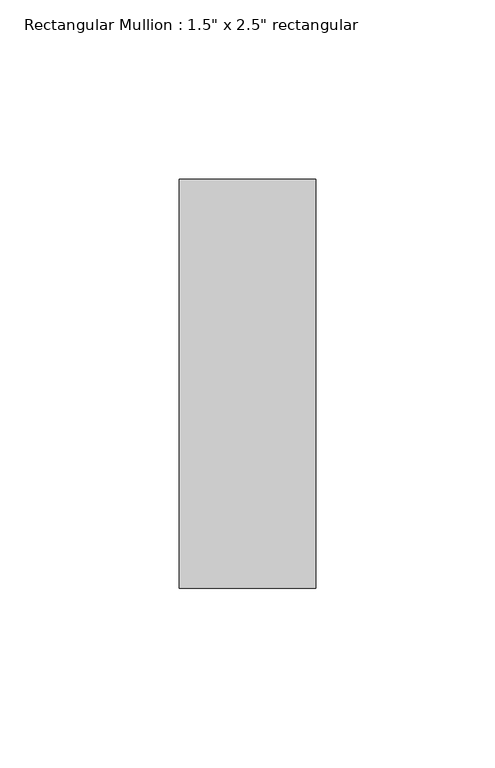
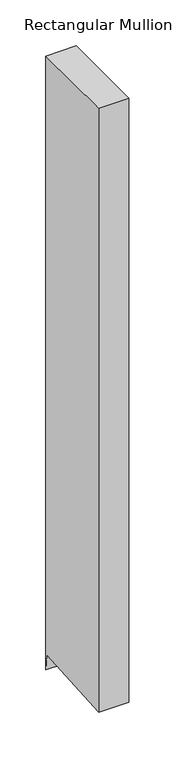
"""IFC4 building model written with IfcOpenShell, lengths in millimetres: member geometry."""

import ifcopenshell
import ifcopenshell.guid

model = None  # the IFC model being written
_history = None  # IfcOwnerHistory: only IFC2X3 demands one
_inside = {}  # id of a spatial element -> (the spatial element, [elements in it])
_under = {}  # id of a project, library or spatial element -> (it, [spatial elements below it])
_declared = {}  # id of a project -> (the project, [libraries it declares])
_typed = {}  # id of a type object -> (the type object, [elements of that type])
_made_of = {}  # id of a material, layer set ... -> (it, [elements and type objects made of it])


def new_model(schema):
    """Start an empty IFC model of exactly this schema.

    Asked for "IFC4X3", IfcOpenShell would pick the latest addendum, in which some entities
    have other attributes; the version numbers below select the first issue.
    IFC2X3 requires an IfcOwnerHistory on every rooted entity: one is made here for all.
    """
    global model, _history
    if schema == "IFC4X3":
        model = ifcopenshell.file(schema_version=(4, 3, 0, 0))
    else:
        model = ifcopenshell.file(schema=schema)
    _inside.clear()
    _under.clear()
    _declared.clear()
    _typed.clear()
    _made_of.clear()
    _history = None
    if model.schema == "IFC2X3":
        org = make("IfcOrganization", Name="unknown")
        user = make(
            "IfcPersonAndOrganization",
            ThePerson=make("IfcPerson", FamilyName="unknown"),
            TheOrganization=org,
        )
        app = make(
            "IfcApplication",
            ApplicationDeveloper=org,
            Version="unknown",
            ApplicationFullName="unknown",
            ApplicationIdentifier="unknown",
        )
        _history = make(
            "IfcOwnerHistory",
            OwningUser=user,
            OwningApplication=app,
            ChangeAction="ADDED",
            CreationDate=0,
        )
    return model


def make(cls, **values):
    """One entity of the class cls with the attributes given. An attribute that is None is left unset."""
    return model.create_entity(
        cls, **{name: value for name, value in values.items() if value is not None}
    )


def rooted(cls, **values):
    """An entity with a GlobalId (a new one), such as an element, a storey or a relation."""
    return make(cls, GlobalId=ifcopenshell.guid.new(), OwnerHistory=_history, **values)


def si_unit(unit_type, name, prefix=None):
    """IfcSIUnit, for example si_unit("LENGTHUNIT", "METRE", prefix="MILLI")."""
    return make("IfcSIUnit", UnitType=unit_type, Prefix=prefix, Name=name)


def assignment(units):
    """IfcUnitAssignment: the units of a project."""
    return None if units is None else make("IfcUnitAssignment", Units=units)


def point(xyz):
    """IfcCartesianPoint."""
    return None if xyz is None else make("IfcCartesianPoint", Coordinates=xyz)


def direction(xyz):
    """IfcDirection."""
    return None if xyz is None else make("IfcDirection", DirectionRatios=xyz)


def frame(location, z_axis=None, x_axis=None):
    """IfcAxis2Placement3D, a coordinate frame: its origin and axes. An axis left out is left unset."""
    return make(
        "IfcAxis2Placement3D",
        Location=point(location),
        Axis=direction(z_axis),
        RefDirection=direction(x_axis),
    )


def origin():
    """The frame at (0, 0, 0) with its axes left unset."""
    return frame((0.0, 0.0, 0.0))


def place(relative_to, where):
    """IfcLocalPlacement: puts the frame where relative to a parent placement (None: the world)."""
    return make(
        "IfcLocalPlacement", PlacementRelTo=relative_to, RelativePlacement=where
    )


def context(
    kind, dimensions, precision=None, world=None, true_north=None, identifier=None
):
    """IfcGeometricRepresentationContext, for example the 3D "Model" context."""
    return make(
        "IfcGeometricRepresentationContext",
        ContextIdentifier=identifier,
        ContextType=kind,
        CoordinateSpaceDimension=dimensions,
        Precision=precision,
        WorldCoordinateSystem=world,
        TrueNorth=true_north,
    )


def project(units=None, contexts=None):
    """IfcProject with its units and contexts."""
    return rooted(
        "IfcProject",
        Name="project",
        RepresentationContexts=contexts,
        UnitsInContext=assignment(units),
    )


def spatial(cls, under=None, at=None, **own):
    """A site, building, storey or space (cls), placed at a placement, below another one or the project."""
    s = rooted(cls, ObjectPlacement=at, **own)
    if under is not None:
        _under.setdefault(under.id(), (under, []))[1].append(s)
    return s


def faces_of(points, faces, orient=None, outer=None):
    """IfcFace entities. A face is a list of loops; a loop is a list of indices into points, from 0.

    orient and outer hold one flag for each loop. By default every Orientation is true, the
    first loop of a face is its IfcFaceOuterBound and the others are IfcFaceBound.
    """
    made = []
    for i, loops in enumerate(faces):
        bounds = []
        for j, loop in enumerate(loops):
            is_outer = j == 0 if outer is None else outer[i][j]
            bounds.append(
                make(
                    "IfcFaceOuterBound" if is_outer else "IfcFaceBound",
                    Bound=make("IfcPolyLoop", Polygon=[points[k] for k in loop]),
                    Orientation=True if orient is None else orient[i][j],
                )
            )
        made.append(make("IfcFace", Bounds=bounds))
    return made


def faceted_brep(points, faces, orient=None, outer=None, voids=None):
    """IfcFacetedBrep: a solid bounded by flat faces; with voids (closed shells), ...WithVoids."""
    shared = [point(p) for p in points]
    hull = make("IfcClosedShell", CfsFaces=faces_of(shared, faces, orient, outer))
    if voids is None:
        return make("IfcFacetedBrep", Outer=hull)
    return make(
        "IfcFacetedBrepWithVoids",
        Outer=hull,
        Voids=[
            make(cls, CfsFaces=faces_of(shared, fs, o, b)) for cls, fs, o, b in voids
        ],
    )


def shape(context_of_items, identifier, shape_type, items):
    """IfcShapeRepresentation: the items that make up one representation, for example the "Body"."""
    return make(
        "IfcShapeRepresentation",
        ContextOfItems=context_of_items,
        RepresentationIdentifier=identifier,
        RepresentationType=shape_type,
        Items=items,
    )


def source(mapping_origin, context_of_items, identifier, shape_type, items):
    """IfcRepresentationMap: a shape defined once, which mapped items show again and again."""
    return make(
        "IfcRepresentationMap",
        MappingOrigin=mapping_origin,
        MappedRepresentation=shape(context_of_items, identifier, shape_type, items),
    )


def transform(
    local_origin,
    x_axis=None,
    y_axis=None,
    z_axis=None,
    scale=None,
    scale2=None,
    scale3=None,
    uniform=True,
):
    """IfcCartesianTransformationOperator3D, or its non-uniform kind. x_axis, y_axis, z_axis: its Axis1, 2, 3."""
    if uniform:
        return make(
            "IfcCartesianTransformationOperator3D",
            Axis1=direction(x_axis),
            Axis2=direction(y_axis),
            LocalOrigin=point(local_origin),
            Scale=scale,
            Axis3=direction(z_axis),
        )
    return make(
        "IfcCartesianTransformationOperator3DnonUniform",
        Axis1=direction(x_axis),
        Axis2=direction(y_axis),
        LocalOrigin=point(local_origin),
        Scale=scale,
        Axis3=direction(z_axis),
        Scale2=scale2,
        Scale3=scale3,
    )


def mapped(mapping_source, mapping_target):
    """IfcMappedItem: shows the shape of a source again, moved by a transform."""
    return make(
        "IfcMappedItem", MappingSource=mapping_source, MappingTarget=mapping_target
    )


def made_of(thing, what):
    """Note that an element or type object is made of a material, layer set ...; save() writes the relation."""
    if what is not None:
        _made_of.setdefault(what.id(), (what, []))[1].append(thing)
    return thing


def element(
    cls,
    number,
    at=None,
    inside=None,
    cuts=None,
    type_object=None,
    material=None,
    context=None,
    identifier="Body",
    shape_type=None,
    held_by="IfcProductDefinitionShape",
    body=None,
    shapes=None,
    **own,
):
    """One element of the class cls, such as IfcWall. Its Tag is "e" and its number.

    at: its placement. inside: the storey or other place that contains it. cuts: it is an
    opening in that element (IfcRelVoidsElement). A single representation is given by context,
    identifier, shape_type and body (its items); several are given by shapes. held_by: the class
    of the entity that holds the representations. save() writes the other relations.
    """
    e = rooted(cls, Tag="e%d" % number, ObjectPlacement=at, **own)
    if body is not None:
        shapes = [shape(context, identifier, shape_type, body)]
    if shapes is not None:
        e.Representation = make(held_by, Representations=shapes)
    if inside is not None:
        _inside.setdefault(inside.id(), (inside, []))[1].append(e)
    if cuts is not None:
        rooted(
            "IfcRelVoidsElement", RelatingBuildingElement=cuts, RelatedOpeningElement=e
        )
    if type_object is not None:
        _typed.setdefault(type_object.id(), (type_object, []))[1].append(e)
    return made_of(e, material)


def aggregate(whole, parts):
    """IfcRelAggregates: a whole, such as a stair, and the parts it consists of."""
    return rooted("IfcRelAggregates", RelatingObject=whole, RelatedObjects=parts)


def save(model, path):
    """Write the relations noted so far, then the file.

    IfcRelAggregates (storeys below a building ...), IfcRelContainedInSpatialStructure (elements
    in a storey), IfcRelDefinesByType, IfcRelAssociatesMaterial and IfcRelDeclares: one each for
    every whole, place, type object, material and project.
    """
    for whole, parts in _under.values():
        aggregate(whole, parts)
    for where, things in _inside.values():
        rooted(
            "IfcRelContainedInSpatialStructure",
            RelatedElements=things,
            RelatingStructure=where,
        )
    for kind, things in _typed.values():
        rooted("IfcRelDefinesByType", RelatedObjects=things, RelatingType=kind)
    for what, things in _made_of.values():
        rooted("IfcRelAssociatesMaterial", RelatedObjects=things, RelatingMaterial=what)
    for by, libraries in _declared.values():
        rooted("IfcRelDeclares", RelatingContext=by, RelatedDefinitions=libraries)
    model.write(path)


def member_5ef6e8f4(model_context):
    return source(origin(), model_context, "Body", "Brep", [
        faceted_brep([(19.05, 57.15, 0.0), (-19.05, 57.15, 0.0), (-19.05, -57.15, 0.0), (19.05, -57.15, 0.0), (19.05, 57.15, -815.1300821), (0.0, 57.15, -815.1300821), (-19.05, 57.15, -815.1300821), (-19.05, 55.6453769, -794.0927024), (-19.05, -57.15, -802.159987), (0.0, -57.15, -802.159987), (19.05, -57.15, -802.159987), (19.05, 55.6453769, -794.0927024), (0.0, 55.6453769, -794.0927024)], [[[0, 1, 2, 3]], [[1, 0, 4, 5, 6]], [[2, 1, 6, 7, 8]], [[3, 2, 8, 9, 10]], [[0, 3, 10, 11, 4]], [[4, 11, 12, 5]], [[11, 10, 9, 12]], [[9, 8, 7, 12]], [[7, 6, 5, 12]]]),
    ])


if __name__ == "__main__":
    model = new_model("IFC4")
    model_context = context("Model", 3, world=origin())
    ifc_project = project(units=[si_unit("LENGTHUNIT", "METRE", prefix="MILLI")], contexts=[model_context])
    site = spatial("IfcSite", under=ifc_project)
    building = spatial("IfcBuilding", under=site)
    placement = place(None, origin())
    member_shape = member_5ef6e8f4(model_context)
    element("IfcMember", 1, ObjectType="Rectangular Mullion : 1.5\" x 2.5\" rectangular", at=placement, inside=building, context=model_context, shape_type="MappedRepresentation", body=[
        mapped(member_shape, transform((0.0, 0.0, 0.0), x_axis=(1.0, 0.0, 0.0), y_axis=(0.0, 1.0, 0.0), z_axis=(0.0, 0.0, 1.0))),
    ])
    save(model, "model.ifc")
